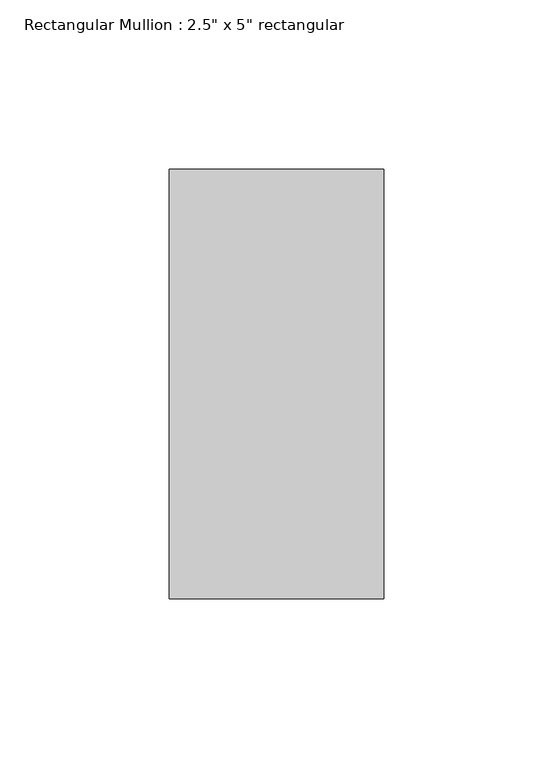
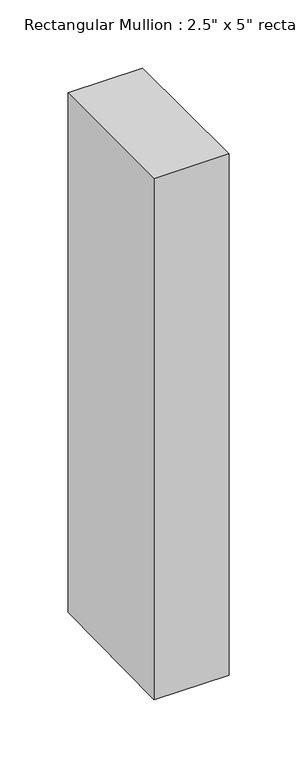
"""IFC4 building model written with IfcOpenShell, lengths in millimetres: member geometry."""

from ifc_helpers import new_model, si_unit, origin, place, context, project, spatial, faceted_brep, source, transform, mapped, element, save


def member_52521d7c(model_context):
    return source(origin(), model_context, "Body", "Brep", [
        faceted_brep([(-63.5, 63.5, -0.0262832), (0.0, 63.5, 0.0), (0.0, 63.5, -466.5783978), (-63.5, 63.5, -466.429938), (-63.5, -63.5, -0.0262832), (-63.5, -63.5, -467.903813), (0.0, -63.5, 0.0), (0.0, -63.5, -468.0522727)], [[[0, 1, 2, 3]], [[4, 0, 3, 5]], [[6, 4, 5, 7]], [[1, 6, 7, 2]], [[1, 0, 4, 6]], [[2, 7, 5, 3]]]),
    ])


if __name__ == "__main__":
    model = new_model("IFC4")
    model_context = context("Model", 3, world=origin())
    ifc_project = project(units=[si_unit("LENGTHUNIT", "METRE", prefix="MILLI")], contexts=[model_context])
    site = spatial("IfcSite", under=ifc_project)
    building = spatial("IfcBuilding", under=site)
    placement = place(None, origin())
    member_shape = member_52521d7c(model_context)
    element("IfcMember", 1, ObjectType="Rectangular Mullion : 2.5\" x 5\" rectangular", at=placement, inside=building, context=model_context, shape_type="MappedRepresentation", body=[
        mapped(member_shape, transform((0.0, 0.0, 0.0), x_axis=(1.0, 0.0, 0.0), y_axis=(0.0, 1.0, 0.0), z_axis=(0.0, 0.0, 1.0))),
    ])
    save(model, "model.ifc")
